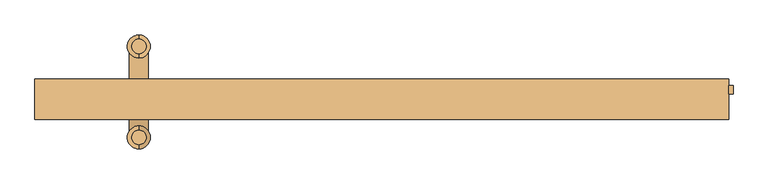
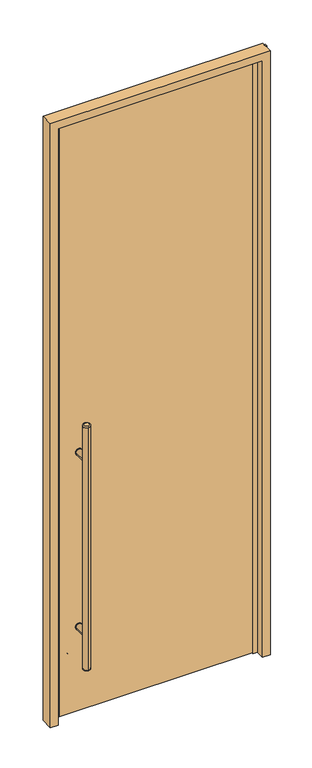
"""IFC4 building model written with IfcOpenShell, lengths in millimetres: door geometry."""

from ifc_helpers import new_model, si_unit, point, frame, frame_2d, origin, origin_with_axes, place, context, project, spatial, polyline, circle_curve, ellipse_curve, trimmed, segment, composite_curve, outline, extrude, faceted_brep, source, transform, mapped, element, save
from ifc_brep_helpers import plane_surface, cylinder_surface, revolved_surface, advanced_brep


def door_89717081(model_context):
    return source(origin(), model_context, "Body", "SolidModel", [
        extrude(outline(composite_curve([segment(trimmed(circle_curve(frame_2d((428.625, -363.5375)), 15.875), [point((428.625, -379.4125))], [point((428.625, -347.6625))], False, "CARTESIAN"), True, "CONTINUOUS"), segment(trimmed(circle_curve(frame_2d((428.625, -363.5375)), 15.875), [point((428.625, -347.6625))], [point((428.625, -379.4125))], False, "CARTESIAN"), True, "CONTINUOUS")], self_intersect=False)), frame((0.0, 34.925, 0.0), z_axis=(0.0, 1.0, 0.0), x_axis=(0.0, 0.0, 1.0)), (0.0, 0.0, 1.0), 3.175),
        extrude(outline(composite_curve([segment(trimmed(circle_curve(frame_2d((1298.575, -363.5375)), 15.875), [point((1298.575, -347.6625))], [point((1298.575, -379.4125))], False, "CARTESIAN"), True, "CONTINUOUS"), segment(trimmed(circle_curve(frame_2d((1298.575, -363.5375)), 15.875), [point((1298.575, -379.4125))], [point((1298.575, -347.6625))], False, "CARTESIAN"), True, "CONTINUOUS")], self_intersect=False)), frame((0.0, 34.925, 0.0), z_axis=(0.0, 1.0, 0.0), x_axis=(0.0, 0.0, 1.0)), (0.0, 0.0, 1.0), 3.175),
        extrude(outline(composite_curve([segment(trimmed(circle_curve(frame_2d((428.625, -363.5375)), 15.875), [point((428.625, -379.4125))], [point((428.625, -347.6625))], False, "CARTESIAN"), True, "CONTINUOUS"), segment(trimmed(circle_curve(frame_2d((428.625, -363.5375)), 15.875), [point((428.625, -347.6625))], [point((428.625, -379.4125))], False, "CARTESIAN"), True, "CONTINUOUS")], self_intersect=False)), frame((0.0, 25.4, 0.0), z_axis=(0.0, 1.0, 0.0), x_axis=(0.0, 0.0, 1.0)), (0.0, 0.0, 1.0), 3.175),
        extrude(outline(composite_curve([segment(trimmed(circle_curve(frame_2d((1298.575, -363.5375)), 15.875), [point((1298.575, -379.4125))], [point((1298.575, -347.6625))], False, "CARTESIAN"), True, "CONTINUOUS"), segment(trimmed(circle_curve(frame_2d((1298.575, -363.5375)), 15.875), [point((1298.575, -347.6625))], [point((1298.575, -379.4125))], False, "CARTESIAN"), True, "CONTINUOUS")], self_intersect=False)), frame((0.0, 25.4, 0.0), z_axis=(0.0, 1.0, 0.0), x_axis=(0.0, 0.0, 1.0)), (0.0, 0.0, 1.0), 3.175),
        extrude(outline(composite_curve([segment(trimmed(circle_curve(frame_2d((428.625, -363.5375)), 14.2875), [point((428.625, -349.25))], [point((428.625, -377.825))], False, "CARTESIAN"), True, "CONTINUOUS"), segment(trimmed(circle_curve(frame_2d((428.625, -363.5375)), 14.2875), [point((428.625, -377.825))], [point((428.625, -349.25))], False, "CARTESIAN"), True, "CONTINUOUS")], self_intersect=False)), frame((0.0, -36.5125, 0.0), z_axis=(0.0, 1.0, 0.0), x_axis=(0.0, 0.0, 1.0)), (0.0, 0.0, 1.0), 65.0875),
        extrude(outline(composite_curve([segment(trimmed(circle_curve(frame_2d((1298.575, -363.5375)), 14.2875), [point((1298.575, -349.25))], [point((1298.575, -377.825))], False, "CARTESIAN"), True, "CONTINUOUS"), segment(trimmed(circle_curve(frame_2d((1298.575, -363.5375)), 14.2875), [point((1298.575, -377.825))], [point((1298.575, -349.25))], False, "CARTESIAN"), True, "CONTINUOUS")], self_intersect=False)), frame((0.0, -36.5125, 0.0), z_axis=(0.0, 1.0, 0.0), x_axis=(0.0, 0.0, 1.0)), (0.0, 0.0, 1.0), 65.0875),
        advanced_brep(
        [(-363.5375, 89.2175, 1473.2), (-363.5375, 110.8075, 1473.2), (-363.5375, 110.8075, 254.0), (-363.5375, 89.2175, 254.0), (-363.5375, 117.1575, 260.35), (-363.5375, 117.1575, 1466.85), (-363.5375, 82.8675, 1466.85), (-363.5375, 82.8675, 260.35)],
        [
            (0, 1, circle_curve(frame((-363.5375, 100.0125, 1473.2), z_axis=(0.0, 0.0, 1.0), x_axis=(0.0, -1.0, 0.0)), 10.795)),
            (1, 0, circle_curve(frame((-363.5375, 100.0125, 1473.2), z_axis=(0.0, 0.0, 1.0), x_axis=(0.0, -1.0, 0.0)), 10.795)),
            (2, 3, circle_curve(frame((-363.5375, 100.0125, 254.0), z_axis=(0.0, 0.0, -1.0), x_axis=(0.0, -1.0, 0.0)), 10.795)),
            (3, 2, circle_curve(frame((-363.5375, 100.0125, 254.0), z_axis=(0.0, 0.0, -1.0), x_axis=(0.0, -1.0, 0.0)), 10.795)),
            (4, 5),
            (5, 6, circle_curve(frame((-363.5375, 100.0125, 1466.85), z_axis=(0.0, 0.0, -1.0), x_axis=(0.0, -1.0, 0.0)), 17.145)),
            (6, 7),
            (7, 4, circle_curve(frame((-363.5375, 100.0125, 260.35), z_axis=(0.0, 0.0, 1.0), x_axis=(0.0, -1.0, 0.0)), 17.145)),
            (6, 5, circle_curve(frame((-363.5375, 100.0125, 1466.85), z_axis=(0.0, 0.0, -1.0), x_axis=(0.0, -1.0, 0.0)), 17.145)),
            (4, 7, circle_curve(frame((-363.5375, 100.0125, 260.35), z_axis=(0.0, 0.0, 1.0), x_axis=(0.0, -1.0, 0.0)), 17.145)),
            (3, 7, circle_curve(frame((-363.5375, 89.2175, 260.35), z_axis=(-1.0, 0.0, 0.0), x_axis=(0.0, -1.0, 0.0)), 6.35)),
            (4, 2, circle_curve(frame((-363.5375, 110.8075, 260.35), z_axis=(-1.0, 0.0, 0.0), x_axis=(0.0, 1.0, 0.0)), 6.35)),
            (6, 0, circle_curve(frame((-363.5375, 89.2175, 1466.85), z_axis=(-1.0, 0.0, 0.0), x_axis=(0.0, -1.0, 0.0)), 6.35)),
            (1, 5, circle_curve(frame((-363.5375, 110.8075, 1466.85), z_axis=(-1.0, 0.0, 0.0), x_axis=(0.0, 1.0, 0.0)), 6.35)),
        ],
        [
            plane_surface(frame((-363.5375, -53.6575, 1473.2), z_axis=(0.0, 0.0, 1.0), x_axis=(-1.0, 0.0, 0.0))),
            plane_surface(frame((-363.5375, -53.6575, 254.0), z_axis=(0.0, 0.0, -1.0), x_axis=(1.0, 0.0, 0.0))),
            cylinder_surface(frame((-363.5375, 100.0125, 254.0), z_axis=(0.0, 0.0, 1.0), x_axis=(0.0, -1.0, 0.0)), 17.145),
            revolved_surface(trimmed(ellipse_curve(frame((-363.5375, 89.2175, 260.35), z_axis=(-1.0, 0.0, 0.0), x_axis=(0.0, -1.0, 0.0)), 6.35, 6.35), [point((-363.5375, 89.2175, 254.0))], [point((-363.5375, 82.8675, 260.35))], True, "CARTESIAN"), (-363.5375, 100.0125, 2082.8), (0.0, 0.0, 1.0)),
            revolved_surface(trimmed(ellipse_curve(frame((-363.5375, 89.2175, 1466.85), z_axis=(-1.0, 0.0, 0.0), x_axis=(0.0, -1.0, 0.0)), 6.35, 6.35), [point((-363.5375, 82.8675, 1466.85))], [point((-363.5375, 89.2175, 1473.2))], True, "CARTESIAN"), (-363.5375, 100.0125, -355.6), (0.0, 0.0, 1.0)),
        ],
        [
            (0, [[1, 2]]),
            (1, [[3, 4]]),
            (2, [[5, 6, 7, 8]]),
            (2, [[-7, 9, -5, 10]]),
            (3, [[-4, 11, -10, 12]]),
            (3, [[-8, -11, -3, -12]]),
            (4, [[-9, 13, -2, 14]]),
            (4, [[-1, -13, -6, -14]]),
        ],
    ),
        advanced_brep(
        [(-363.5375, -47.3075, 1473.2), (-363.5375, -25.7175, 1473.2), (-363.5375, -25.7175, 254.0), (-363.5375, -47.3075, 254.0), (-363.5375, -19.3675, 260.35), (-363.5375, -19.3675, 1466.85), (-363.5375, -53.6575, 1466.85), (-363.5375, -53.6575, 260.35)],
        [
            (0, 1, circle_curve(frame((-363.5375, -36.5125, 1473.2), z_axis=(0.0, 0.0, 1.0), x_axis=(0.0, 1.0, 0.0)), 10.795)),
            (1, 0, circle_curve(frame((-363.5375, -36.5125, 1473.2), z_axis=(0.0, 0.0, 1.0), x_axis=(0.0, 1.0, 0.0)), 10.795)),
            (2, 3, circle_curve(frame((-363.5375, -36.5125, 254.0), z_axis=(0.0, 0.0, -1.0), x_axis=(0.0, 1.0, 0.0)), 10.795)),
            (3, 2, circle_curve(frame((-363.5375, -36.5125, 254.0), z_axis=(0.0, 0.0, -1.0), x_axis=(0.0, 1.0, 0.0)), 10.795)),
            (4, 5),
            (5, 6, circle_curve(frame((-363.5375, -36.5125, 1466.85), z_axis=(0.0, 0.0, -1.0), x_axis=(0.0, -1.0, 0.0)), 17.145)),
            (6, 7),
            (7, 4, circle_curve(frame((-363.5375, -36.5125, 260.35), z_axis=(0.0, 0.0, 1.0), x_axis=(0.0, -1.0, 0.0)), 17.145)),
            (6, 5, circle_curve(frame((-363.5375, -36.5125, 1466.85), z_axis=(0.0, 0.0, -1.0), x_axis=(0.0, -1.0, 0.0)), 17.145)),
            (4, 7, circle_curve(frame((-363.5375, -36.5125, 260.35), z_axis=(0.0, 0.0, 1.0), x_axis=(0.0, -1.0, 0.0)), 17.145)),
            (4, 2, circle_curve(frame((-363.5375, -25.7175, 260.35), z_axis=(-1.0, 0.0, 0.0), x_axis=(0.0, 1.0, 0.0)), 6.35)),
            (3, 7, circle_curve(frame((-363.5375, -47.3075, 260.35), z_axis=(-1.0, 0.0, 0.0), x_axis=(0.0, -1.0, 0.0)), 6.35)),
            (1, 5, circle_curve(frame((-363.5375, -25.7175, 1466.85), z_axis=(-1.0, 0.0, 0.0), x_axis=(0.0, 1.0, 0.0)), 6.35)),
            (6, 0, circle_curve(frame((-363.5375, -47.3075, 1466.85), z_axis=(-1.0, 0.0, 0.0), x_axis=(0.0, -1.0, 0.0)), 6.35)),
        ],
        [
            plane_surface(frame((-363.5375, -53.6575, 1473.2), z_axis=(0.0, 0.0, 1.0), x_axis=(-1.0, 0.0, 0.0))),
            plane_surface(frame((-363.5375, -53.6575, 254.0), z_axis=(0.0, 0.0, -1.0), x_axis=(1.0, 0.0, 0.0))),
            cylinder_surface(frame((-363.5375, -36.5125, 254.0), z_axis=(0.0, 0.0, 1.0), x_axis=(0.0, -1.0, 0.0)), 17.145),
            revolved_surface(trimmed(ellipse_curve(frame((-363.5375, -25.7175, 260.35), z_axis=(-1.0, 0.0, 0.0), x_axis=(0.0, 1.0, 0.0)), 6.35, 6.35), [point((-363.5375, -19.3675, 260.35))], [point((-363.5375, -25.7175, 254.0))], True, "CARTESIAN"), (-363.5375, -36.5125, 2082.8), (0.0, 0.0, -1.0)),
            revolved_surface(trimmed(ellipse_curve(frame((-363.5375, -25.7175, 1466.85), z_axis=(-1.0, 0.0, 0.0), x_axis=(0.0, 1.0, 0.0)), 6.35, 6.35), [point((-363.5375, -25.7175, 1473.2))], [point((-363.5375, -19.3675, 1466.85))], True, "CARTESIAN"), (-363.5375, -36.5125, -355.6), (0.0, 0.0, -1.0)),
        ],
        [
            (0, [[1, 2]]),
            (1, [[3, 4]]),
            (2, [[5, 6, 7, 8]]),
            (2, [[-7, 9, -5, 10]]),
            (3, [[-10, 11, -4, 12]]),
            (3, [[-3, -11, -8, -12]]),
            (4, [[-2, 13, -9, 14]]),
            (4, [[-6, -13, -1, -14]]),
        ],
    ),
        extrude(outline(composite_curve([segment(trimmed(circle_curve(frame_2d((428.625, -363.5375)), 14.2875), [point((428.625, -349.25))], [point((428.625, -377.825))], False, "CARTESIAN"), True, "CONTINUOUS"), segment(trimmed(circle_curve(frame_2d((428.625, -363.5375)), 14.2875), [point((428.625, -377.825))], [point((428.625, -349.25))], False, "CARTESIAN"), True, "CONTINUOUS")], self_intersect=False)), frame((0.0, 34.925, 0.0), z_axis=(0.0, 1.0, 0.0), x_axis=(0.0, 0.0, 1.0)), (0.0, 0.0, 1.0), 65.0875),
        extrude(outline(composite_curve([segment(trimmed(circle_curve(frame_2d((1298.575, -363.5375)), 14.2875), [point((1298.575, -349.25))], [point((1298.575, -377.825))], False, "CARTESIAN"), True, "CONTINUOUS"), segment(trimmed(circle_curve(frame_2d((1298.575, -363.5375)), 14.2875), [point((1298.575, -377.825))], [point((1298.575, -349.25))], False, "CARTESIAN"), True, "CONTINUOUS")], self_intersect=False)), frame((0.0, 34.925, 0.0), z_axis=(0.0, 1.0, 0.0), x_axis=(0.0, 0.0, 1.0)), (0.0, 0.0, 1.0), 65.0875),
        extrude(outline(polyline([(455.6125, 34.925), (455.6125, 28.575), (-455.6125, 28.575), (-455.6125, 34.925), (455.6125, 34.925)])), frame((0.0, 0.0, 9.525), z_axis=(0.0, 0.0, 1.0), x_axis=(1.0, 0.0, 0.0)), (0.0, 0.0, 1.0), 2936.875),
        extrude(outline(polyline([(519.1125, 28.575), (519.1125, 41.275), (525.4625, 41.275), (525.4625, 28.575), (519.1125, 28.575)])), origin_with_axes(), (0.0, 0.0, 1.0), 3009.9),
        faceted_brep([(519.1125, 50.8, 0.0), (519.1125, -9.525, 0.0), (481.909687, -9.525, 0.0), (481.909687, 31.75, 0.0), (461.4124983, 31.75, 0.0), (461.4124983, 41.275, 0.0), (452.4375, 41.275, 0.0), (452.4375, 50.8, 0.0), (452.4375, 50.8, 2943.225), (-452.4375, 50.8, 2943.225), (-452.4375, 50.8, 0.0), (-519.1125, 50.8, 0.0), (-519.1125, 50.8, 3009.9), (519.1125, 50.8, 3009.9), (452.4375, 41.275, 2943.225), (461.4124983, 41.275, 2952.1999983), (-461.4124983, 41.275, 2952.1999983), (-461.4124983, 41.275, 0.0), (-452.4375, 41.275, 0.0), (-452.4375, 41.275, 2943.225), (461.4124983, 31.75, 2952.1999983), (481.909687, 31.75, 2972.697187), (-481.909687, 31.75, 2972.697187), (-481.909687, 31.75, 0.0), (-461.4124983, 31.75, 0.0), (-461.4124983, 31.75, 2952.1999983), (481.909687, -9.525, 2972.697187), (519.1125, -9.525, 3009.9), (-519.1125, -9.525, 3009.9), (-519.1125, -9.525, 0.0), (-481.909687, -9.525, 0.0), (-481.909687, -9.525, 2972.697187)], [[[0, 1, 2, 3, 4, 5, 6, 7]], [[7, 8, 9, 10, 11, 12, 13, 0]], [[6, 14, 8, 7]], [[5, 15, 16, 17, 18, 19, 14, 6]], [[4, 20, 15, 5]], [[3, 21, 22, 23, 24, 25, 20, 4]], [[2, 26, 21, 3]], [[1, 27, 28, 29, 30, 31, 26, 2]], [[0, 13, 27, 1]], [[11, 10, 18, 17, 24, 23, 30, 29]], [[12, 11, 29, 28]], [[31, 30, 23, 22]], [[25, 24, 17, 16]], [[19, 18, 10, 9]], [[14, 19, 9, 8]], [[20, 25, 16, 15]], [[26, 31, 22, 21]], [[13, 12, 28, 27]]]),
    ])


if __name__ == "__main__":
    model = new_model("IFC4")
    model_context = context("Model", 3, world=origin())
    ifc_project = project(units=[si_unit("LENGTHUNIT", "METRE", prefix="MILLI")], contexts=[model_context])
    site = spatial("IfcSite", under=ifc_project)
    building = spatial("IfcBuilding", under=site)
    placement = place(None, origin())
    door_shape = door_89717081(model_context)
    element("IfcDoor", 1, at=placement, inside=building, context=model_context, shape_type="MappedRepresentation", body=[
        mapped(door_shape, transform((0.0, 0.0, 0.0), x_axis=(1.0, 0.0, 0.0), y_axis=(0.0, 1.0, 0.0), z_axis=(0.0, 0.0, 1.0))),
    ])
    save(model, "model.ifc")
